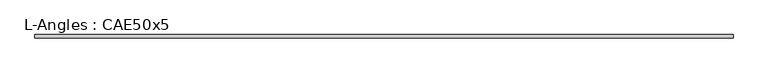
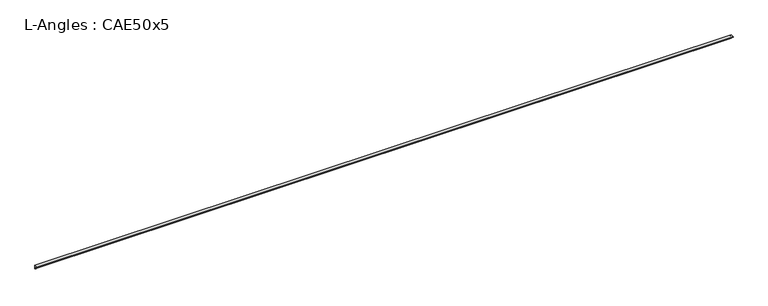
"""IFC4 building model written with IfcOpenShell, lengths in millimetres: beam geometry, L-Angles : CAE50x5."""

from ifc_helpers import new_model, si_unit, point, frame, frame_2d, origin, place, context, project, spatial, polyline, circle_curve, trimmed, segment, composite_curve, outline, extrude, source, transform, mapped, element, save


def l_angles_cae50x5_b095f53c(model_context):
    return source(origin(), model_context, "Body", "SweptSolid", [
        extrude(outline(composite_curve([segment(polyline([(14.0, 14.0), (14.0, -36.0)]), True, "CONTINUOUS"), segment(trimmed(circle_curve(frame_2d((14.0, -31.0)), 5.0), [point((14.0, -36.0))], [point((9.0, -31.0))], False, "CARTESIAN"), True, "CONTINUOUS"), segment(polyline([(9.0, -31.0), (9.0, 4.0)]), True, "CONTINUOUS"), segment(trimmed(circle_curve(frame_2d((4.0, 4.0)), 5.0), [point((9.0, 4.0))], [point((4.0, 9.0))], True, "CARTESIAN"), True, "CONTINUOUS"), segment(polyline([(4.0, 9.0), (-31.0, 9.0)]), True, "CONTINUOUS"), segment(trimmed(circle_curve(frame_2d((-31.0, 14.0)), 5.0), [point((-31.0, 9.0))], [point((-36.0, 14.0))], False, "CARTESIAN"), True, "CONTINUOUS"), segment(polyline([(-36.0, 14.0), (14.0, 14.0)]), True, "CONTINUOUS")], self_intersect=False)), frame((-5092.5, 0.0, 0.0), z_axis=(1.0, 0.0, 0.0), x_axis=(0.0, 1.0, 0.0)), (0.0, 0.0, 1.0), 9882.0),
    ])


if __name__ == "__main__":
    model = new_model("IFC4")
    model_context = context("Model", 3, world=origin())
    ifc_project = project(units=[si_unit("LENGTHUNIT", "METRE", prefix="MILLI")], contexts=[model_context])
    site = spatial("IfcSite", under=ifc_project)
    building = spatial("IfcBuilding", under=site)
    placement = place(None, origin())
    l_angles_cae50x5_shape = l_angles_cae50x5_b095f53c(model_context)
    element("IfcBeam", 1, ObjectType="L-Angles : CAE50x5", at=placement, inside=building, context=model_context, shape_type="MappedRepresentation", body=[
        mapped(l_angles_cae50x5_shape, transform((0.0, 0.0, 0.0), x_axis=(1.0, 0.0, 0.0), y_axis=(0.0, 1.0, 0.0), z_axis=(0.0, 0.0, 1.0))),
    ])
    save(model, "model.ifc")
